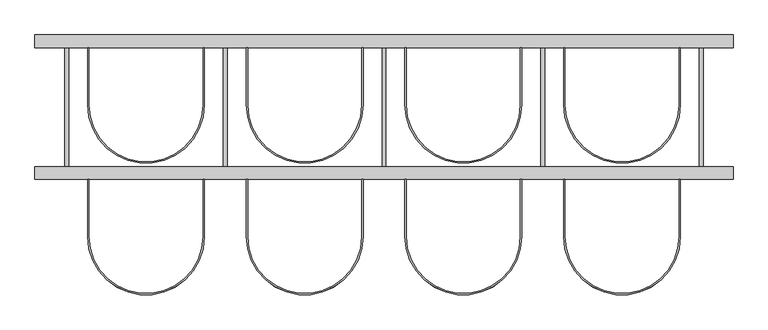
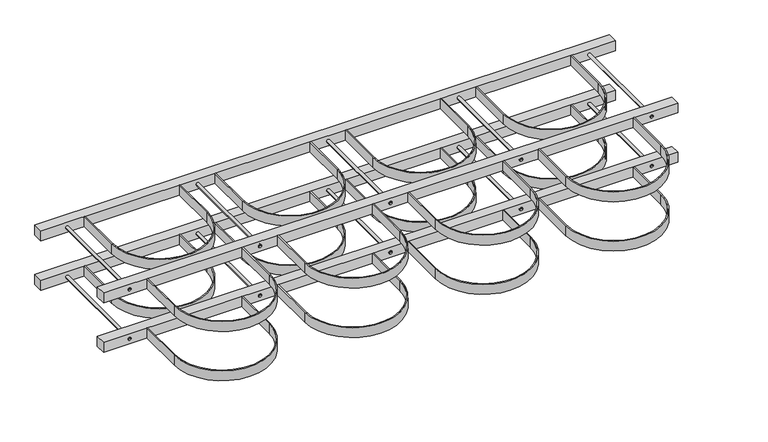
"""IFC4 building model written with IfcOpenShell, lengths in millimetres: proxy geometry."""

from ifc_helpers import new_model, si_unit, point, frame, frame_2d, origin, origin_2d, place, context, project, spatial, polyline, circle_curve, trimmed, segment, composite_curve, outline, extrude, source, transform, mapped, element, save
from ifc_brep_helpers import plane_surface, cylinder_surface, advanced_brep


def specialty_equipment_82e72825(model_context):
    return source(origin(), model_context, "Body", "SolidModel", [
        extrude(outline(composite_curve([segment(polyline([(1320.0, -235.0), (1320.0, -415.0)]), True, "CONTINUOUS"), segment(trimmed(circle_curve(frame_2d((1500.0, -415.0)), 180.0), [point((1320.0, -415.0))], [point((1680.0, -415.0))], True, "CARTESIAN"), True, "CONTINUOUS"), segment(polyline([(1680.0, -415.0), (1680.0, -235.0), (1684.0, -235.0), (1684.0, -415.0)]), True, "CONTINUOUS"), segment(trimmed(circle_curve(frame_2d((1500.0, -415.0)), 184.0), [point((1684.0, -415.0))], [point((1316.0, -415.0))], False, "CARTESIAN"), True, "CONTINUOUS"), segment(polyline([(1316.0, -415.0), (1316.0, -235.0), (1320.0, -235.0)]), True, "CONTINUOUS")], self_intersect=False)), frame((0.0, 0.0, 180.0), z_axis=(0.0, 0.0, 1.0), x_axis=(1.0, 0.0, 0.0)), (0.0, 0.0, 1.0), 40.0),
        advanced_brep(
        [(1756.0, -235.0, 200.0), (1744.0, -235.0, 200.0), (1744.0, 180.0, 200.0), (1756.0, 180.0, 200.0), (1750.0, -235.0, 200.0), (1750.0, 180.0, 200.0)],
        [
            (0, 1, circle_curve(frame((1750.0, -235.0, 200.0), z_axis=(0.0, 1.0, 0.0), x_axis=(-1.0, 0.0, 0.0)), 6.0)),
            (1, 2),
            (2, 3, circle_curve(frame((1750.0, 180.0, 200.0), z_axis=(0.0, -1.0, 0.0), x_axis=(-1.0, 0.0, 0.0)), 6.0)),
            (3, 0),
            (1, 0, circle_curve(frame((1750.0, -235.0, 200.0), z_axis=(0.0, 1.0, 0.0), x_axis=(-1.0, 0.0, 0.0)), 6.0)),
            (3, 2, circle_curve(frame((1750.0, 180.0, 200.0), z_axis=(0.0, -1.0, 0.0), x_axis=(-1.0, 0.0, 0.0)), 6.0)),
            (4, 1),
            (0, 4),
            (2, 5),
            (5, 3),
        ],
        [
            cylinder_surface(frame((1750.0, 1704.0, 200.0), z_axis=(0.0, -1.0, 0.0), x_axis=(-1.0, 0.0, 0.0)), 6.0),
            plane_surface(frame((1750.0, -235.0, 200.0), z_axis=(0.0, -1.0, 0.0), x_axis=(-1.0, 0.0, 0.0))),
            plane_surface(frame((1750.0, 180.0, 200.0), z_axis=(0.0, 1.0, 0.0), x_axis=(-1.0, 0.0, 0.0))),
        ],
        [
            (0, [[1, 2, 3, 4]]),
            (0, [[5, -4, 6, -2]]),
            (1, [[7, -1, 8]]),
            (1, [[-8, -5, -7]]),
            (2, [[-3, 9, 10]]),
            (2, [[-6, -10, -9]]),
        ],
    ),
        extrude(outline(composite_curve([segment(polyline([(1320.0, 180.0), (1320.0, 0.0)]), True, "CONTINUOUS"), segment(trimmed(circle_curve(frame_2d((1500.0, 0.0)), 180.0), [point((1320.0, 0.0))], [point((1680.0, 0.0))], True, "CARTESIAN"), True, "CONTINUOUS"), segment(polyline([(1680.0, 0.0), (1680.0, 180.0), (1684.0, 180.0), (1684.0, 0.0)]), True, "CONTINUOUS"), segment(trimmed(circle_curve(frame_2d((1500.0, 0.0)), 184.0), [point((1684.0, 0.0))], [point((1316.0, 0.0))], False, "CARTESIAN"), True, "CONTINUOUS"), segment(polyline([(1316.0, 0.0), (1316.0, 180.0), (1320.0, 180.0)]), True, "CONTINUOUS")], self_intersect=False)), frame((0.0, 0.0, 180.0), z_axis=(0.0, 0.0, 1.0), x_axis=(1.0, 0.0, 0.0)), (0.0, 0.0, 1.0), 40.0),
        extrude(outline(composite_curve([segment(polyline([(820.0, -235.0), (820.0, -415.0)]), True, "CONTINUOUS"), segment(trimmed(circle_curve(frame_2d((1000.0, -415.0)), 180.0), [point((820.0, -415.0))], [point((1180.0, -415.0))], True, "CARTESIAN"), True, "CONTINUOUS"), segment(polyline([(1180.0, -415.0), (1180.0, -235.0), (1184.0, -235.0), (1184.0, -415.0)]), True, "CONTINUOUS"), segment(trimmed(circle_curve(frame_2d((1000.0, -415.0)), 184.0), [point((1184.0, -415.0))], [point((816.0, -415.0))], False, "CARTESIAN"), True, "CONTINUOUS"), segment(polyline([(816.0, -415.0), (816.0, -235.0), (820.0, -235.0)]), True, "CONTINUOUS")], self_intersect=False)), frame((0.0, 0.0, 180.0), z_axis=(0.0, 0.0, 1.0), x_axis=(1.0, 0.0, 0.0)), (0.0, 0.0, 1.0), 40.0),
        advanced_brep(
        [(1256.0, -235.0, 200.0), (1244.0, -235.0, 200.0), (1244.0, 180.0, 200.0), (1256.0, 180.0, 200.0), (1250.0, -235.0, 200.0), (1250.0, 180.0, 200.0)],
        [
            (0, 1, circle_curve(frame((1250.0, -235.0, 200.0), z_axis=(0.0, 1.0, 0.0), x_axis=(-1.0, 0.0, 0.0)), 6.0)),
            (1, 2),
            (2, 3, circle_curve(frame((1250.0, 180.0, 200.0), z_axis=(0.0, -1.0, 0.0), x_axis=(-1.0, 0.0, 0.0)), 6.0)),
            (3, 0),
            (1, 0, circle_curve(frame((1250.0, -235.0, 200.0), z_axis=(0.0, 1.0, 0.0), x_axis=(-1.0, 0.0, 0.0)), 6.0)),
            (3, 2, circle_curve(frame((1250.0, 180.0, 200.0), z_axis=(0.0, -1.0, 0.0), x_axis=(-1.0, 0.0, 0.0)), 6.0)),
            (4, 1),
            (0, 4),
            (2, 5),
            (5, 3),
        ],
        [
            cylinder_surface(frame((1250.0, 1704.0, 200.0), z_axis=(0.0, -1.0, 0.0), x_axis=(-1.0, 0.0, 0.0)), 6.0),
            plane_surface(frame((1250.0, -235.0, 200.0), z_axis=(0.0, -1.0, 0.0), x_axis=(-1.0, 0.0, 0.0))),
            plane_surface(frame((1250.0, 180.0, 200.0), z_axis=(0.0, 1.0, 0.0), x_axis=(-1.0, 0.0, 0.0))),
        ],
        [
            (0, [[1, 2, 3, 4]]),
            (0, [[5, -4, 6, -2]]),
            (1, [[7, -1, 8]]),
            (1, [[-8, -5, -7]]),
            (2, [[-3, 9, 10]]),
            (2, [[-6, -10, -9]]),
        ],
    ),
        extrude(outline(composite_curve([segment(polyline([(820.0, 180.0), (820.0, 0.0)]), True, "CONTINUOUS"), segment(trimmed(circle_curve(frame_2d((1000.0, 0.0)), 180.0), [point((820.0, 0.0))], [point((1180.0, 0.0))], True, "CARTESIAN"), True, "CONTINUOUS"), segment(polyline([(1180.0, 0.0), (1180.0, 180.0), (1184.0, 180.0), (1184.0, 0.0)]), True, "CONTINUOUS"), segment(trimmed(circle_curve(frame_2d((1000.0, 0.0)), 184.0), [point((1184.0, 0.0))], [point((816.0, 0.0))], False, "CARTESIAN"), True, "CONTINUOUS"), segment(polyline([(816.0, 0.0), (816.0, 180.0), (820.0, 180.0)]), True, "CONTINUOUS")], self_intersect=False)), frame((0.0, 0.0, 180.0), z_axis=(0.0, 0.0, 1.0), x_axis=(1.0, 0.0, 0.0)), (0.0, 0.0, 1.0), 40.0),
        extrude(outline(composite_curve([segment(polyline([(320.0, -235.0), (320.0, -415.0)]), True, "CONTINUOUS"), segment(trimmed(circle_curve(frame_2d((500.0, -415.0)), 180.0), [point((320.0, -415.0))], [point((680.0, -415.0))], True, "CARTESIAN"), True, "CONTINUOUS"), segment(polyline([(680.0, -415.0), (680.0, -235.0), (684.0, -235.0), (684.0, -415.0)]), True, "CONTINUOUS"), segment(trimmed(circle_curve(frame_2d((500.0, -415.0)), 184.0), [point((684.0, -415.0))], [point((316.0, -415.0))], False, "CARTESIAN"), True, "CONTINUOUS"), segment(polyline([(316.0, -415.0), (316.0, -235.0), (320.0, -235.0)]), True, "CONTINUOUS")], self_intersect=False)), frame((0.0, 0.0, 180.0), z_axis=(0.0, 0.0, 1.0), x_axis=(1.0, 0.0, 0.0)), (0.0, 0.0, 1.0), 40.0),
        advanced_brep(
        [(756.0, -235.0, 200.0), (744.0, -235.0, 200.0), (744.0, 180.0, 200.0), (756.0, 180.0, 200.0), (750.0, -235.0, 200.0), (750.0, 180.0, 200.0)],
        [
            (0, 1, circle_curve(frame((750.0, -235.0, 200.0), z_axis=(0.0, 1.0, 0.0), x_axis=(-1.0, 0.0, 0.0)), 6.0)),
            (1, 2),
            (2, 3, circle_curve(frame((750.0, 180.0, 200.0), z_axis=(0.0, -1.0, 0.0), x_axis=(-1.0, 0.0, 0.0)), 6.0)),
            (3, 0),
            (1, 0, circle_curve(frame((750.0, -235.0, 200.0), z_axis=(0.0, 1.0, 0.0), x_axis=(-1.0, 0.0, 0.0)), 6.0)),
            (3, 2, circle_curve(frame((750.0, 180.0, 200.0), z_axis=(0.0, -1.0, 0.0), x_axis=(-1.0, 0.0, 0.0)), 6.0)),
            (4, 1),
            (0, 4),
            (2, 5),
            (5, 3),
        ],
        [
            cylinder_surface(frame((750.0, 1704.0, 200.0), z_axis=(0.0, -1.0, 0.0), x_axis=(-1.0, 0.0, 0.0)), 6.0),
            plane_surface(frame((750.0, -235.0, 200.0), z_axis=(0.0, -1.0, 0.0), x_axis=(-1.0, 0.0, 0.0))),
            plane_surface(frame((750.0, 180.0, 200.0), z_axis=(0.0, 1.0, 0.0), x_axis=(-1.0, 0.0, 0.0))),
        ],
        [
            (0, [[1, 2, 3, 4]]),
            (0, [[5, -4, 6, -2]]),
            (1, [[7, -1, 8]]),
            (1, [[-8, -5, -7]]),
            (2, [[-3, 9, 10]]),
            (2, [[-6, -10, -9]]),
        ],
    ),
        advanced_brep(
        [(256.0, -235.0, 200.0), (244.0, -235.0, 200.0), (244.0, 180.0, 200.0), (256.0, 180.0, 200.0), (250.0, -235.0, 200.0), (250.0, 180.0, 200.0)],
        [
            (0, 1, circle_curve(frame((250.0, -235.0, 200.0), z_axis=(0.0, 1.0, 0.0), x_axis=(-1.0, 0.0, 0.0)), 6.0)),
            (1, 2),
            (2, 3, circle_curve(frame((250.0, 180.0, 200.0), z_axis=(0.0, -1.0, 0.0), x_axis=(-1.0, 0.0, 0.0)), 6.0)),
            (3, 0),
            (1, 0, circle_curve(frame((250.0, -235.0, 200.0), z_axis=(0.0, 1.0, 0.0), x_axis=(-1.0, 0.0, 0.0)), 6.0)),
            (3, 2, circle_curve(frame((250.0, 180.0, 200.0), z_axis=(0.0, -1.0, 0.0), x_axis=(-1.0, 0.0, 0.0)), 6.0)),
            (4, 1),
            (0, 4),
            (2, 5),
            (5, 3),
        ],
        [
            cylinder_surface(frame((250.0, 1704.0, 200.0), z_axis=(0.0, -1.0, 0.0), x_axis=(-1.0, 0.0, 0.0)), 6.0),
            plane_surface(frame((250.0, -235.0, 200.0), z_axis=(0.0, -1.0, 0.0), x_axis=(-1.0, 0.0, 0.0))),
            plane_surface(frame((250.0, 180.0, 200.0), z_axis=(0.0, 1.0, 0.0), x_axis=(-1.0, 0.0, 0.0))),
        ],
        [
            (0, [[1, 2, 3, 4]]),
            (0, [[5, -4, 6, -2]]),
            (1, [[7, -1, 8]]),
            (1, [[-8, -5, -7]]),
            (2, [[-3, 9, 10]]),
            (2, [[-6, -10, -9]]),
        ],
    ),
        extrude(outline(composite_curve([segment(polyline([(-180.0, -235.0), (-180.0, -415.0)]), True, "CONTINUOUS"), segment(trimmed(circle_curve(frame_2d((0.0, -415.0)), 180.0), [point((-180.0, -415.0))], [point((180.0, -415.0))], True, "CARTESIAN"), True, "CONTINUOUS"), segment(polyline([(180.0, -415.0), (180.0, -235.0), (184.0, -235.0), (184.0, -415.0)]), True, "CONTINUOUS"), segment(trimmed(circle_curve(frame_2d((0.0, -415.0)), 184.0), [point((184.0, -415.0))], [point((-184.0, -415.0))], False, "CARTESIAN"), True, "CONTINUOUS"), segment(polyline([(-184.0, -415.0), (-184.0, -235.0), (-180.0, -235.0)]), True, "CONTINUOUS")], self_intersect=False)), frame((0.0, 0.0, 180.0), z_axis=(0.0, 0.0, 1.0), x_axis=(1.0, 0.0, 0.0)), (0.0, 0.0, 1.0), 40.0),
        advanced_brep(
        [(-244.0, -235.0, 200.0), (-256.0, -235.0, 200.0), (-256.0, 180.0, 200.0), (-244.0, 180.0, 200.0), (-250.0, -235.0, 200.0), (-250.0, 180.0, 200.0)],
        [
            (0, 1, circle_curve(frame((-250.0, -235.0, 200.0), z_axis=(0.0, 1.0, 0.0), x_axis=(-1.0, 0.0, 0.0)), 6.0)),
            (1, 2),
            (2, 3, circle_curve(frame((-250.0, 180.0, 200.0), z_axis=(0.0, -1.0, 0.0), x_axis=(-1.0, 0.0, 0.0)), 6.0)),
            (3, 0),
            (1, 0, circle_curve(frame((-250.0, -235.0, 200.0), z_axis=(0.0, 1.0, 0.0), x_axis=(-1.0, 0.0, 0.0)), 6.0)),
            (3, 2, circle_curve(frame((-250.0, 180.0, 200.0), z_axis=(0.0, -1.0, 0.0), x_axis=(-1.0, 0.0, 0.0)), 6.0)),
            (4, 1),
            (0, 4),
            (2, 5),
            (5, 3),
        ],
        [
            cylinder_surface(frame((-250.0, 1704.0, 200.0), z_axis=(0.0, -1.0, 0.0), x_axis=(-1.0, 0.0, 0.0)), 6.0),
            plane_surface(frame((-250.0, -235.0, 200.0), z_axis=(0.0, -1.0, 0.0), x_axis=(-1.0, 0.0, 0.0))),
            plane_surface(frame((-250.0, 180.0, 200.0), z_axis=(0.0, 1.0, 0.0), x_axis=(-1.0, 0.0, 0.0))),
        ],
        [
            (0, [[1, 2, 3, 4]]),
            (0, [[5, -4, 6, -2]]),
            (1, [[7, -1, 8]]),
            (1, [[-8, -5, -7]]),
            (2, [[-3, 9, 10]]),
            (2, [[-6, -10, -9]]),
        ],
    ),
        extrude(outline(composite_curve([segment(polyline([(320.0, 180.0), (320.0, 0.0)]), True, "CONTINUOUS"), segment(trimmed(circle_curve(frame_2d((500.0, 0.0)), 180.0), [point((320.0, 0.0))], [point((680.0, 0.0))], True, "CARTESIAN"), True, "CONTINUOUS"), segment(polyline([(680.0, 0.0), (680.0, 180.0), (684.0, 180.0), (684.0, 0.0)]), True, "CONTINUOUS"), segment(trimmed(circle_curve(frame_2d((500.0, 0.0)), 184.0), [point((684.0, 0.0))], [point((316.0, 0.0))], False, "CARTESIAN"), True, "CONTINUOUS"), segment(polyline([(316.0, 0.0), (316.0, 180.0), (320.0, 180.0)]), True, "CONTINUOUS")], self_intersect=False)), frame((0.0, 0.0, 180.0), z_axis=(0.0, 0.0, 1.0), x_axis=(1.0, 0.0, 0.0)), (0.0, 0.0, 1.0), 40.0),
        extrude(outline(composite_curve([segment(polyline([(-180.0, 180.0), (-180.0, 0.0)]), True, "CONTINUOUS"), segment(trimmed(circle_curve(origin_2d(), 180.0), [point((-180.0, 0.0))], [point((180.0, 0.0))], True, "CARTESIAN"), True, "CONTINUOUS"), segment(polyline([(180.0, 0.0), (180.0, 180.0), (184.0, 180.0), (184.0, 0.0)]), True, "CONTINUOUS"), segment(trimmed(circle_curve(origin_2d(), 184.0), [point((184.0, 0.0))], [point((-184.0, 0.0))], False, "CARTESIAN"), True, "CONTINUOUS"), segment(polyline([(-184.0, 0.0), (-184.0, 180.0), (-180.0, 180.0)]), True, "CONTINUOUS")], self_intersect=False)), frame((0.0, 0.0, 180.0), z_axis=(0.0, 0.0, 1.0), x_axis=(1.0, 0.0, 0.0)), (0.0, 0.0, 1.0), 40.0),
        extrude(outline(polyline([(1850.0, -235.0), (-350.0, -235.0), (-350.0, -195.0), (1850.0, -195.0), (1850.0, -235.0)])), frame((0.0, 0.0, 180.0), z_axis=(0.0, 0.0, 1.0), x_axis=(1.0, 0.0, 0.0)), (0.0, 0.0, 1.0), 40.0),
        extrude(outline(polyline([(1850.0, 180.0), (-350.0, 180.0), (-350.0, 220.0), (1850.0, 220.0), (1850.0, 180.0)])), frame((0.0, 0.0, 180.0), z_axis=(0.0, 0.0, 1.0), x_axis=(1.0, 0.0, 0.0)), (0.0, 0.0, 1.0), 40.0),
        extrude(outline(composite_curve([segment(polyline([(1320.0, -235.0), (1320.0, -415.0)]), True, "CONTINUOUS"), segment(trimmed(circle_curve(frame_2d((1500.0, -415.0)), 180.0), [point((1320.0, -415.0))], [point((1680.0, -415.0))], True, "CARTESIAN"), True, "CONTINUOUS"), segment(polyline([(1680.0, -415.0), (1680.0, -235.0), (1684.0, -235.0), (1684.0, -415.0)]), True, "CONTINUOUS"), segment(trimmed(circle_curve(frame_2d((1500.0, -415.0)), 184.0), [point((1684.0, -415.0))], [point((1316.0, -415.0))], False, "CARTESIAN"), True, "CONTINUOUS"), segment(polyline([(1316.0, -415.0), (1316.0, -235.0), (1320.0, -235.0)]), True, "CONTINUOUS")], self_intersect=False)), frame((0.0, 0.0, -20.0), z_axis=(0.0, 0.0, 1.0), x_axis=(1.0, 0.0, 0.0)), (0.0, 0.0, 1.0), 40.0),
        advanced_brep(
        [(1756.0, -235.0, 0.0), (1744.0, -235.0, 0.0), (1744.0, 180.0, 0.0), (1756.0, 180.0, 0.0), (1750.0, -235.0, 0.0), (1750.0, 180.0, 0.0)],
        [
            (0, 1, circle_curve(frame((1750.0, -235.0, 0.0), z_axis=(0.0, 1.0, 0.0), x_axis=(-1.0, 0.0, 0.0)), 6.0)),
            (1, 2),
            (2, 3, circle_curve(frame((1750.0, 180.0, 0.0), z_axis=(0.0, -1.0, 0.0), x_axis=(-1.0, 0.0, 0.0)), 6.0)),
            (3, 0),
            (1, 0, circle_curve(frame((1750.0, -235.0, 0.0), z_axis=(0.0, 1.0, 0.0), x_axis=(-1.0, 0.0, 0.0)), 6.0)),
            (3, 2, circle_curve(frame((1750.0, 180.0, 0.0), z_axis=(0.0, -1.0, 0.0), x_axis=(-1.0, 0.0, 0.0)), 6.0)),
            (4, 1),
            (0, 4),
            (2, 5),
            (5, 3),
        ],
        [
            cylinder_surface(frame((1750.0, 1704.0, 0.0), z_axis=(0.0, -1.0, 0.0), x_axis=(-1.0, 0.0, 0.0)), 6.0),
            plane_surface(frame((1750.0, -235.0, 0.0), z_axis=(0.0, -1.0, 0.0), x_axis=(-1.0, 0.0, 0.0))),
            plane_surface(frame((1750.0, 180.0, 0.0), z_axis=(0.0, 1.0, 0.0), x_axis=(-1.0, 0.0, 0.0))),
        ],
        [
            (0, [[1, 2, 3, 4]]),
            (0, [[5, -4, 6, -2]]),
            (1, [[7, -1, 8]]),
            (1, [[-8, -5, -7]]),
            (2, [[-3, 9, 10]]),
            (2, [[-6, -10, -9]]),
        ],
    ),
        extrude(outline(composite_curve([segment(polyline([(1320.0, 180.0), (1320.0, 0.0)]), True, "CONTINUOUS"), segment(trimmed(circle_curve(frame_2d((1500.0, 0.0)), 180.0), [point((1320.0, 0.0))], [point((1680.0, 0.0))], True, "CARTESIAN"), True, "CONTINUOUS"), segment(polyline([(1680.0, 0.0), (1680.0, 180.0), (1684.0, 180.0), (1684.0, 0.0)]), True, "CONTINUOUS"), segment(trimmed(circle_curve(frame_2d((1500.0, 0.0)), 184.0), [point((1684.0, 0.0))], [point((1316.0, 0.0))], False, "CARTESIAN"), True, "CONTINUOUS"), segment(polyline([(1316.0, 0.0), (1316.0, 180.0), (1320.0, 180.0)]), True, "CONTINUOUS")], self_intersect=False)), frame((0.0, 0.0, -20.0), z_axis=(0.0, 0.0, 1.0), x_axis=(1.0, 0.0, 0.0)), (0.0, 0.0, 1.0), 40.0),
        extrude(outline(composite_curve([segment(polyline([(820.0, -235.0), (820.0, -415.0)]), True, "CONTINUOUS"), segment(trimmed(circle_curve(frame_2d((1000.0, -415.0)), 180.0), [point((820.0, -415.0))], [point((1180.0, -415.0))], True, "CARTESIAN"), True, "CONTINUOUS"), segment(polyline([(1180.0, -415.0), (1180.0, -235.0), (1184.0, -235.0), (1184.0, -415.0)]), True, "CONTINUOUS"), segment(trimmed(circle_curve(frame_2d((1000.0, -415.0)), 184.0), [point((1184.0, -415.0))], [point((816.0, -415.0))], False, "CARTESIAN"), True, "CONTINUOUS"), segment(polyline([(816.0, -415.0), (816.0, -235.0), (820.0, -235.0)]), True, "CONTINUOUS")], self_intersect=False)), frame((0.0, 0.0, -20.0), z_axis=(0.0, 0.0, 1.0), x_axis=(1.0, 0.0, 0.0)), (0.0, 0.0, 1.0), 40.0),
        advanced_brep(
        [(1256.0, -235.0, 0.0), (1244.0, -235.0, 0.0), (1244.0, 180.0, 0.0), (1256.0, 180.0, 0.0), (1250.0, -235.0, 0.0), (1250.0, 180.0, 0.0)],
        [
            (0, 1, circle_curve(frame((1250.0, -235.0, 0.0), z_axis=(0.0, 1.0, 0.0), x_axis=(-1.0, 0.0, 0.0)), 6.0)),
            (1, 2),
            (2, 3, circle_curve(frame((1250.0, 180.0, 0.0), z_axis=(0.0, -1.0, 0.0), x_axis=(-1.0, 0.0, 0.0)), 6.0)),
            (3, 0),
            (1, 0, circle_curve(frame((1250.0, -235.0, 0.0), z_axis=(0.0, 1.0, 0.0), x_axis=(-1.0, 0.0, 0.0)), 6.0)),
            (3, 2, circle_curve(frame((1250.0, 180.0, 0.0), z_axis=(0.0, -1.0, 0.0), x_axis=(-1.0, 0.0, 0.0)), 6.0)),
            (4, 1),
            (0, 4),
            (2, 5),
            (5, 3),
        ],
        [
            cylinder_surface(frame((1250.0, 1704.0, 0.0), z_axis=(0.0, -1.0, 0.0), x_axis=(-1.0, 0.0, 0.0)), 6.0),
            plane_surface(frame((1250.0, -235.0, 0.0), z_axis=(0.0, -1.0, 0.0), x_axis=(-1.0, 0.0, 0.0))),
            plane_surface(frame((1250.0, 180.0, 0.0), z_axis=(0.0, 1.0, 0.0), x_axis=(-1.0, 0.0, 0.0))),
        ],
        [
            (0, [[1, 2, 3, 4]]),
            (0, [[5, -4, 6, -2]]),
            (1, [[7, -1, 8]]),
            (1, [[-8, -5, -7]]),
            (2, [[-3, 9, 10]]),
            (2, [[-6, -10, -9]]),
        ],
    ),
        extrude(outline(composite_curve([segment(polyline([(820.0, 180.0), (820.0, 0.0)]), True, "CONTINUOUS"), segment(trimmed(circle_curve(frame_2d((1000.0, 0.0)), 180.0), [point((820.0, 0.0))], [point((1180.0, 0.0))], True, "CARTESIAN"), True, "CONTINUOUS"), segment(polyline([(1180.0, 0.0), (1180.0, 180.0), (1184.0, 180.0), (1184.0, 0.0)]), True, "CONTINUOUS"), segment(trimmed(circle_curve(frame_2d((1000.0, 0.0)), 184.0), [point((1184.0, 0.0))], [point((816.0, 0.0))], False, "CARTESIAN"), True, "CONTINUOUS"), segment(polyline([(816.0, 0.0), (816.0, 180.0), (820.0, 180.0)]), True, "CONTINUOUS")], self_intersect=False)), frame((0.0, 0.0, -20.0), z_axis=(0.0, 0.0, 1.0), x_axis=(1.0, 0.0, 0.0)), (0.0, 0.0, 1.0), 40.0),
        extrude(outline(composite_curve([segment(polyline([(320.0, -235.0), (320.0, -415.0)]), True, "CONTINUOUS"), segment(trimmed(circle_curve(frame_2d((500.0, -415.0)), 180.0), [point((320.0, -415.0))], [point((680.0, -415.0))], True, "CARTESIAN"), True, "CONTINUOUS"), segment(polyline([(680.0, -415.0), (680.0, -235.0), (684.0, -235.0), (684.0, -415.0)]), True, "CONTINUOUS"), segment(trimmed(circle_curve(frame_2d((500.0, -415.0)), 184.0), [point((684.0, -415.0))], [point((316.0, -415.0))], False, "CARTESIAN"), True, "CONTINUOUS"), segment(polyline([(316.0, -415.0), (316.0, -235.0), (320.0, -235.0)]), True, "CONTINUOUS")], self_intersect=False)), frame((0.0, 0.0, -20.0), z_axis=(0.0, 0.0, 1.0), x_axis=(1.0, 0.0, 0.0)), (0.0, 0.0, 1.0), 40.0),
        advanced_brep(
        [(756.0, -235.0, 0.0), (744.0, -235.0, 0.0), (744.0, 180.0, 0.0), (756.0, 180.0, 0.0), (750.0, -235.0, 0.0), (750.0, 180.0, 0.0)],
        [
            (0, 1, circle_curve(frame((750.0, -235.0, 0.0), z_axis=(0.0, 1.0, 0.0), x_axis=(-1.0, 0.0, 0.0)), 6.0)),
            (1, 2),
            (2, 3, circle_curve(frame((750.0, 180.0, 0.0), z_axis=(0.0, -1.0, 0.0), x_axis=(-1.0, 0.0, 0.0)), 6.0)),
            (3, 0),
            (1, 0, circle_curve(frame((750.0, -235.0, 0.0), z_axis=(0.0, 1.0, 0.0), x_axis=(-1.0, 0.0, 0.0)), 6.0)),
            (3, 2, circle_curve(frame((750.0, 180.0, 0.0), z_axis=(0.0, -1.0, 0.0), x_axis=(-1.0, 0.0, 0.0)), 6.0)),
            (4, 1),
            (0, 4),
            (2, 5),
            (5, 3),
        ],
        [
            cylinder_surface(frame((750.0, 1704.0, 0.0), z_axis=(0.0, -1.0, 0.0), x_axis=(-1.0, 0.0, 0.0)), 6.0),
            plane_surface(frame((750.0, -235.0, 0.0), z_axis=(0.0, -1.0, 0.0), x_axis=(-1.0, 0.0, 0.0))),
            plane_surface(frame((750.0, 180.0, 0.0), z_axis=(0.0, 1.0, 0.0), x_axis=(-1.0, 0.0, 0.0))),
        ],
        [
            (0, [[1, 2, 3, 4]]),
            (0, [[5, -4, 6, -2]]),
            (1, [[7, -1, 8]]),
            (1, [[-8, -5, -7]]),
            (2, [[-3, 9, 10]]),
            (2, [[-6, -10, -9]]),
        ],
    ),
        advanced_brep(
        [(256.0, -235.0, 0.0), (244.0, -235.0, 0.0), (244.0, 180.0, 0.0), (256.0, 180.0, 0.0), (250.0, -235.0, 0.0), (250.0, 180.0, 0.0)],
        [
            (0, 1, circle_curve(frame((250.0, -235.0, 0.0), z_axis=(0.0, 1.0, 0.0), x_axis=(-1.0, 0.0, 0.0)), 6.0)),
            (1, 2),
            (2, 3, circle_curve(frame((250.0, 180.0, 0.0), z_axis=(0.0, -1.0, 0.0), x_axis=(-1.0, 0.0, 0.0)), 6.0)),
            (3, 0),
            (1, 0, circle_curve(frame((250.0, -235.0, 0.0), z_axis=(0.0, 1.0, 0.0), x_axis=(-1.0, 0.0, 0.0)), 6.0)),
            (3, 2, circle_curve(frame((250.0, 180.0, 0.0), z_axis=(0.0, -1.0, 0.0), x_axis=(-1.0, 0.0, 0.0)), 6.0)),
            (4, 1),
            (0, 4),
            (2, 5),
            (5, 3),
        ],
        [
            cylinder_surface(frame((250.0, 1704.0, 0.0), z_axis=(0.0, -1.0, 0.0), x_axis=(-1.0, 0.0, 0.0)), 6.0),
            plane_surface(frame((250.0, -235.0, 0.0), z_axis=(0.0, -1.0, 0.0), x_axis=(-1.0, 0.0, 0.0))),
            plane_surface(frame((250.0, 180.0, 0.0), z_axis=(0.0, 1.0, 0.0), x_axis=(-1.0, 0.0, 0.0))),
        ],
        [
            (0, [[1, 2, 3, 4]]),
            (0, [[5, -4, 6, -2]]),
            (1, [[7, -1, 8]]),
            (1, [[-8, -5, -7]]),
            (2, [[-3, 9, 10]]),
            (2, [[-6, -10, -9]]),
        ],
    ),
        extrude(outline(composite_curve([segment(polyline([(-180.0, -235.0), (-180.0, -415.0)]), True, "CONTINUOUS"), segment(trimmed(circle_curve(frame_2d((0.0, -415.0)), 180.0), [point((-180.0, -415.0))], [point((180.0, -415.0))], True, "CARTESIAN"), True, "CONTINUOUS"), segment(polyline([(180.0, -415.0), (180.0, -235.0), (184.0, -235.0), (184.0, -415.0)]), True, "CONTINUOUS"), segment(trimmed(circle_curve(frame_2d((0.0, -415.0)), 184.0), [point((184.0, -415.0))], [point((-184.0, -415.0))], False, "CARTESIAN"), True, "CONTINUOUS"), segment(polyline([(-184.0, -415.0), (-184.0, -235.0), (-180.0, -235.0)]), True, "CONTINUOUS")], self_intersect=False)), frame((0.0, 0.0, -20.0), z_axis=(0.0, 0.0, 1.0), x_axis=(1.0, 0.0, 0.0)), (0.0, 0.0, 1.0), 40.0),
        advanced_brep(
        [(-244.0, -235.0, 0.0), (-256.0, -235.0, 0.0), (-256.0, 180.0, 0.0), (-244.0, 180.0, 0.0), (-250.0, -235.0, 0.0), (-250.0, 180.0, 0.0)],
        [
            (0, 1, circle_curve(frame((-250.0, -235.0, 0.0), z_axis=(0.0, 1.0, 0.0), x_axis=(-1.0, 0.0, 0.0)), 6.0)),
            (1, 2),
            (2, 3, circle_curve(frame((-250.0, 180.0, 0.0), z_axis=(0.0, -1.0, 0.0), x_axis=(-1.0, 0.0, 0.0)), 6.0)),
            (3, 0),
            (1, 0, circle_curve(frame((-250.0, -235.0, 0.0), z_axis=(0.0, 1.0, 0.0), x_axis=(-1.0, 0.0, 0.0)), 6.0)),
            (3, 2, circle_curve(frame((-250.0, 180.0, 0.0), z_axis=(0.0, -1.0, 0.0), x_axis=(-1.0, 0.0, 0.0)), 6.0)),
            (4, 1),
            (0, 4),
            (2, 5),
            (5, 3),
        ],
        [
            cylinder_surface(frame((-250.0, 1704.0, 0.0), z_axis=(0.0, -1.0, 0.0), x_axis=(-1.0, 0.0, 0.0)), 6.0),
            plane_surface(frame((-250.0, -235.0, 0.0), z_axis=(0.0, -1.0, 0.0), x_axis=(-1.0, 0.0, 0.0))),
            plane_surface(frame((-250.0, 180.0, 0.0), z_axis=(0.0, 1.0, 0.0), x_axis=(-1.0, 0.0, 0.0))),
        ],
        [
            (0, [[1, 2, 3, 4]]),
            (0, [[5, -4, 6, -2]]),
            (1, [[7, -1, 8]]),
            (1, [[-8, -5, -7]]),
            (2, [[-3, 9, 10]]),
            (2, [[-6, -10, -9]]),
        ],
    ),
        extrude(outline(composite_curve([segment(polyline([(320.0, 180.0), (320.0, 0.0)]), True, "CONTINUOUS"), segment(trimmed(circle_curve(frame_2d((500.0, 0.0)), 180.0), [point((320.0, 0.0))], [point((680.0, 0.0))], True, "CARTESIAN"), True, "CONTINUOUS"), segment(polyline([(680.0, 0.0), (680.0, 180.0), (684.0, 180.0), (684.0, 0.0)]), True, "CONTINUOUS"), segment(trimmed(circle_curve(frame_2d((500.0, 0.0)), 184.0), [point((684.0, 0.0))], [point((316.0, 0.0))], False, "CARTESIAN"), True, "CONTINUOUS"), segment(polyline([(316.0, 0.0), (316.0, 180.0), (320.0, 180.0)]), True, "CONTINUOUS")], self_intersect=False)), frame((0.0, 0.0, -20.0), z_axis=(0.0, 0.0, 1.0), x_axis=(1.0, 0.0, 0.0)), (0.0, 0.0, 1.0), 40.0),
        extrude(outline(composite_curve([segment(polyline([(-180.0, 180.0), (-180.0, 0.0)]), True, "CONTINUOUS"), segment(trimmed(circle_curve(origin_2d(), 180.0), [point((-180.0, 0.0))], [point((180.0, 0.0))], True, "CARTESIAN"), True, "CONTINUOUS"), segment(polyline([(180.0, 0.0), (180.0, 180.0), (184.0, 180.0), (184.0, 0.0)]), True, "CONTINUOUS"), segment(trimmed(circle_curve(origin_2d(), 184.0), [point((184.0, 0.0))], [point((-184.0, 0.0))], False, "CARTESIAN"), True, "CONTINUOUS"), segment(polyline([(-184.0, 0.0), (-184.0, 180.0), (-180.0, 180.0)]), True, "CONTINUOUS")], self_intersect=False)), frame((0.0, 0.0, -20.0), z_axis=(0.0, 0.0, 1.0), x_axis=(1.0, 0.0, 0.0)), (0.0, 0.0, 1.0), 40.0),
        extrude(outline(polyline([(1850.0, -235.0), (-350.0, -235.0), (-350.0, -195.0), (1850.0, -195.0), (1850.0, -235.0)])), frame((0.0, 0.0, -20.0), z_axis=(0.0, 0.0, 1.0), x_axis=(1.0, 0.0, 0.0)), (0.0, 0.0, 1.0), 40.0),
        extrude(outline(polyline([(1850.0, 180.0), (-350.0, 180.0), (-350.0, 220.0), (1850.0, 220.0), (1850.0, 180.0)])), frame((0.0, 0.0, -20.0), z_axis=(0.0, 0.0, 1.0), x_axis=(1.0, 0.0, 0.0)), (0.0, 0.0, 1.0), 40.0),
    ])


if __name__ == "__main__":
    model = new_model("IFC4")
    model_context = context("Model", 3, world=origin())
    ifc_project = project(units=[si_unit("LENGTHUNIT", "METRE", prefix="MILLI")], contexts=[model_context])
    site = spatial("IfcSite", under=ifc_project)
    building = spatial("IfcBuilding", under=site)
    placement = place(None, origin())
    specialty_equipment_shape = specialty_equipment_82e72825(model_context)
    element("IfcBuildingElementProxy", 1, Name="Specialty Equipment", at=placement, inside=building, context=model_context, shape_type="MappedRepresentation", body=[
        mapped(specialty_equipment_shape, transform((0.0, 0.0, 0.0), x_axis=(1.0, 0.0, 0.0), y_axis=(0.0, 1.0, 0.0), z_axis=(0.0, 0.0, 1.0))),
    ])
    save(model, "model.ifc")
